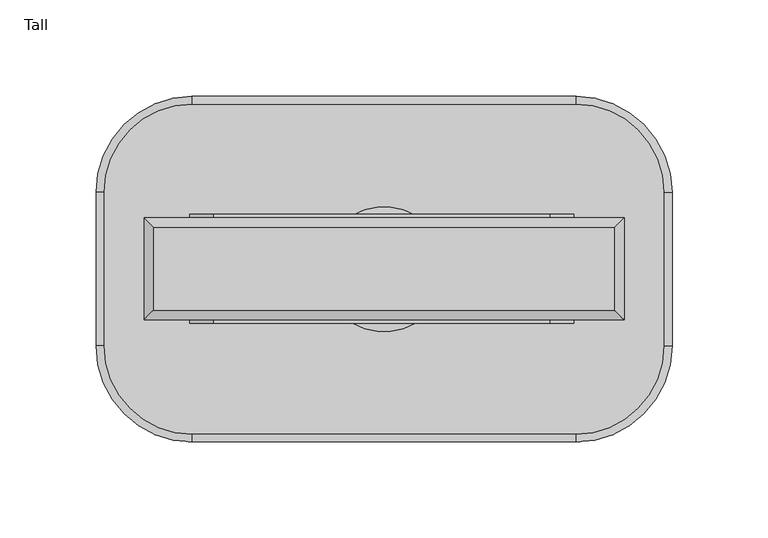
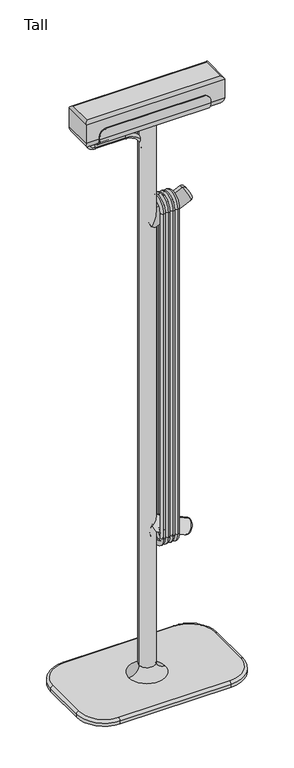
"""IFC4 building model written with IfcOpenShell, lengths in millimetres: furniture geometry, Tall."""

from ifc_helpers import new_model, si_unit, point, frame, origin, place, context, project, spatial, polyline, circle_curve, ellipse_curve, trimmed, source, transform, mapped, element, save
from ifc_brep_helpers import plane_surface, cylinder_surface, revolved_surface, advanced_brep


def tall_e2d5bbf9(model_context):
    return source(origin(), model_context, "Body", "AdvancedBrep", [
        advanced_brep(
        [(98.8922673, 26.5, 1076.9), (98.8922673, 11.5, 1061.9), (98.8922673, -11.5, 1061.9), (98.8922673, -26.5, 1076.9), (98.8922673, -26.5, 1081.5), (98.8922673, -28.4, 1081.5), (98.8922673, -28.4, 1076.9010878), (98.8922673, -11.4989122, 1060.0), (98.8922673, 11.5, 1060.0), (98.8922673, 28.4, 1076.9), (98.8922673, 28.4, 1081.5), (98.8922673, 26.5, 1081.5), (-101.1077081, 28.4, 1076.9), (-101.1077081, 11.5, 1060.0), (-101.1077081, -11.4989122, 1060.0), (-101.1077081, -28.4, 1076.9010878), (-101.1077081, -28.4, 1081.5), (-101.1077081, -26.5, 1081.5), (-101.1077081, -26.5, 1076.9), (-101.1077081, -11.5, 1061.9), (-101.1077081, 11.5, 1061.9), (-101.1077081, 26.5, 1076.9), (-101.1077081, 26.5, 1081.5), (-101.1077081, 28.4, 1081.5), (86.3922673, 26.5, 1094.0), (-88.6077081, 26.5, 1094.0), (-88.6077081, -26.5, 1094.0), (86.3922673, -26.5, 1094.0), (-88.6077081, -28.4, 1094.0), (86.3922673, -28.4, 1094.0), (-88.6077081, 28.4, 1094.0), (86.3922673, 28.4, 1094.0)],
        [
            (0, 1, circle_curve(frame((98.8922673, 11.5, 1076.9), z_axis=(-1.0, 0.0, 0.0), x_axis=(0.0, 1.0, 0.0)), 15.0)),
            (1, 2),
            (2, 3, circle_curve(frame((98.8922673, -11.5, 1076.9), z_axis=(-1.0, 0.0, 0.0), x_axis=(0.0, 1.0, 0.0)), 15.0)),
            (3, 4),
            (4, 5),
            (5, 6),
            (6, 7, circle_curve(frame((98.8922673, -11.4989122, 1076.9010878), z_axis=(1.0, 0.0, 0.0), x_axis=(0.0, 1.0, 0.0)), 16.9010878)),
            (7, 8),
            (8, 9, circle_curve(frame((98.8922673, 11.5, 1076.9), z_axis=(1.0, 0.0, 0.0), x_axis=(0.0, 1.0, 0.0)), 16.9)),
            (9, 10),
            (10, 11),
            (11, 0),
            (12, 13, circle_curve(frame((-101.1077081, 11.5, 1076.9), z_axis=(-1.0, 0.0, 0.0), x_axis=(0.0, 1.0, 0.0)), 16.9)),
            (13, 14),
            (14, 15, circle_curve(frame((-101.1077081, -11.4989122, 1076.9010878), z_axis=(-1.0, 0.0, 0.0), x_axis=(0.0, 1.0, 0.0)), 16.9010878)),
            (15, 16),
            (16, 17),
            (17, 18),
            (18, 19, circle_curve(frame((-101.1077081, -11.5, 1076.9), z_axis=(1.0, 0.0, 0.0), x_axis=(0.0, 1.0, 0.0)), 15.0)),
            (19, 20),
            (20, 21, circle_curve(frame((-101.1077081, 11.5, 1076.9), z_axis=(1.0, 0.0, 0.0), x_axis=(0.0, 1.0, 0.0)), 15.0)),
            (21, 22),
            (22, 23),
            (23, 12),
            (21, 0),
            (11, 24, circle_curve(frame((86.3922673, 26.5, 1081.5), z_axis=(0.0, -1.0, 0.0), x_axis=(1.0, 0.0, 0.0)), 12.5)),
            (24, 25),
            (25, 22, circle_curve(frame((-88.6077081, 26.5, 1081.5), z_axis=(0.0, -1.0, 0.0), x_axis=(1.0, 0.0, 0.0)), 12.5)),
            (20, 1),
            (19, 2),
            (18, 3),
            (17, 26, circle_curve(frame((-88.6077081, -26.5, 1081.5), z_axis=(0.0, 1.0, 0.0), x_axis=(1.0, 0.0, 0.0)), 12.5)),
            (26, 27),
            (27, 4, circle_curve(frame((86.3922673, -26.5, 1081.5), z_axis=(0.0, 1.0, 0.0), x_axis=(1.0, 0.0, 0.0)), 12.5)),
            (26, 28),
            (28, 29),
            (29, 27),
            (15, 6),
            (5, 29, circle_curve(frame((86.3922673, -28.4, 1081.5), z_axis=(0.0, -1.0, 0.0), x_axis=(1.0, 0.0, 0.0)), 12.5)),
            (28, 16, circle_curve(frame((-88.6077081, -28.4, 1081.5), z_axis=(0.0, -1.0, 0.0), x_axis=(1.0, 0.0, 0.0)), 12.5)),
            (14, 7),
            (13, 8),
            (12, 9),
            (23, 30, circle_curve(frame((-88.6077081, 28.4, 1081.5), z_axis=(0.0, 1.0, 0.0), x_axis=(1.0, 0.0, 0.0)), 12.5)),
            (30, 31),
            (31, 10, circle_curve(frame((86.3922673, 28.4, 1081.5), z_axis=(0.0, 1.0, 0.0), x_axis=(1.0, 0.0, 0.0)), 12.5)),
            (24, 31),
            (30, 25),
        ],
        [
            plane_surface(frame((98.8922673, 26.5, 1094.0), z_axis=(1.0, 0.0, 0.0), x_axis=(0.0, 0.0, -1.0))),
            plane_surface(frame((-101.1077081, 26.5, 1094.0), z_axis=(-1.0, 0.0, 0.0), x_axis=(0.0, 0.0, 1.0))),
            plane_surface(frame((98.8922673, 26.5, 1094.0), z_axis=(0.0, -1.0, 0.0), x_axis=(-1.0, 0.0, 0.0))),
            revolved_surface(polyline([(-101.1077081, 26.5, 1076.9), (98.89226729999999, 26.5, 1076.9)]), (-101.1077081, 11.5, 1076.9), (-1.0, 0.0, 0.0)),
            plane_surface(frame((98.8922673, 11.5, 1061.9), z_axis=(0.0, 0.0, 1.0), x_axis=(-1.0, 0.0, 0.0))),
            revolved_surface(polyline([(-101.1077081, 3.5, 1076.9), (98.89226729999999, 3.5, 1076.9)]), (-101.1077081, -11.5, 1076.9), (-1.0, 0.0, 0.0)),
            plane_surface(frame((98.8922673, -26.5, 1076.9), z_axis=(0.0, 1.0, 0.0), x_axis=(-1.0, 0.0, 0.0))),
            plane_surface(frame((98.8922673, -26.5, 1094.0), z_axis=(0.0, 0.0, 1.0), x_axis=(-1.0, 0.0, 0.0))),
            plane_surface(frame((98.8922673, -28.4, 1094.0), z_axis=(0.0, -1.0, 0.0), x_axis=(-1.0, 0.0, 0.0))),
            cylinder_surface(frame((-101.1077081, -11.4989122, 1076.9010878), z_axis=(1.0, 0.0, 0.0), x_axis=(0.0, 1.0, 0.0)), 16.9010878),
            plane_surface(frame((98.8922673, -11.4989122, 1060.0), z_axis=(0.0, 0.0, -1.0), x_axis=(-1.0, 0.0, 0.0))),
            cylinder_surface(frame((-101.1077081, 11.5, 1076.9), z_axis=(1.0, 0.0, 0.0), x_axis=(0.0, 1.0, 0.0)), 16.9),
            plane_surface(frame((98.8922673, 28.4, 1076.9), z_axis=(0.0, 1.0, 0.0), x_axis=(-1.0, 0.0, 0.0))),
            plane_surface(frame((98.8922673, 28.4, 1094.0), z_axis=(0.0, 0.0, 1.0), x_axis=(-1.0, 0.0, 0.0))),
            cylinder_surface(frame((-88.6077081, 90.0, 1081.5), z_axis=(0.0, 1.0, 0.0), x_axis=(1.0, 0.0, 0.0)), 12.5),
            cylinder_surface(frame((86.3922673, 90.0, 1081.5), z_axis=(0.0, 1.0, 0.0), x_axis=(1.0, 0.0, 0.0)), 12.5),
        ],
        [
            (0, [[1, 2, 3, 4, 5, 6, 7, 8, 9, 10, 11, 12]]),
            (1, [[13, 14, 15, 16, 17, 18, 19, 20, 21, 22, 23, 24]]),
            (2, [[25, -12, 26, 27, 28, -22]]),
            (3, [[-1, -25, -21, 29]]),
            (4, [[-2, -29, -20, 30]]),
            (5, [[-3, -30, -19, 31]]),
            (6, [[-31, -18, 32, 33, 34, -4]]),
            (7, [[-33, 35, 36, 37]]),
            (8, [[38, -6, 39, -36, 40, -16]]),
            (9, [[-7, -38, -15, 41]]),
            (10, [[-8, -41, -14, 42]]),
            (11, [[-9, -42, -13, 43]]),
            (12, [[-43, -24, 44, 45, 46, -10]]),
            (13, [[-27, 47, -45, 48]]),
            (14, [[-17, -40, -35, -32]]),
            (14, [[-23, -28, -48, -44]]),
            (15, [[-5, -34, -37, -39]]),
            (15, [[-11, -46, -47, -26]]),
        ],
    ),
        advanced_brep(
        [(-105.852797, 4.0, 1075.8013473), (-105.852797, -4.0, 1075.8013473), (-105.852797, 4.0, 1054.9704551), (-105.852797, -4.0, 1054.9704551), (-95.852797, -4.0, 1044.9704551), (-95.852797, 4.0, 1044.9704551), (-40.852797, 4.0, 1044.9704551), (-40.852797, -4.0, 1044.9704551), (-5.852797, -4.0, 1009.9704551), (-5.852797, 4.0, 1009.9704551), (-5.852797, 4.0, 1006.8590643), (-5.852797, -4.0, 1006.8590643)],
        [
            (0, 1, circle_curve(frame((-105.852797, 0.0, 1075.8013473), z_axis=(0.0, 0.0, 1.0), x_axis=(0.0, -1.0, 0.0)), 4.0)),
            (1, 0, circle_curve(frame((-105.852797, 0.0, 1075.8013473), z_axis=(0.0, 0.0, 1.0), x_axis=(0.0, -1.0, 0.0)), 4.0)),
            (0, 2),
            (2, 3, circle_curve(frame((-105.852797, 0.0, 1054.9704551), z_axis=(0.0, 0.0, 1.0), x_axis=(0.0, -1.0, 0.0)), 4.0)),
            (3, 1),
            (3, 2, circle_curve(frame((-105.852797, 0.0, 1054.9704551), z_axis=(0.0, 0.0, 1.0), x_axis=(0.0, -1.0, 0.0)), 4.0)),
            (4, 3, circle_curve(frame((-95.852797, -4.0, 1054.9704551), z_axis=(0.0, 1.0, 0.0), x_axis=(-1.0, 0.0, 0.0)), 10.0)),
            (2, 5, circle_curve(frame((-95.852797, 4.0, 1054.9704551), z_axis=(0.0, -1.0, 0.0), x_axis=(-1.0, 0.0, 0.0)), 10.0)),
            (5, 4, circle_curve(frame((-95.852797, 0.0, 1044.9704551), z_axis=(-1.0, 0.0, 0.0), x_axis=(0.0, -1.0, 0.0)), 4.0)),
            (4, 5, circle_curve(frame((-95.852797, 0.0, 1044.9704551), z_axis=(-1.0, 0.0, 0.0), x_axis=(0.0, -1.0, 0.0)), 4.0)),
            (5, 6),
            (6, 7, circle_curve(frame((-40.852797, 0.0, 1044.9704551), z_axis=(-1.0, 0.0, 0.0), x_axis=(0.0, -1.0, 0.0)), 4.0)),
            (7, 4),
            (7, 6, circle_curve(frame((-40.852797, 0.0, 1044.9704551), z_axis=(-1.0, 0.0, 0.0), x_axis=(0.0, -1.0, 0.0)), 4.0)),
            (8, 7, circle_curve(frame((-40.852797, -4.0, 1009.9704551), z_axis=(0.0, -1.0, 0.0), x_axis=(0.0, 0.0, 1.0)), 35.0)),
            (6, 9, circle_curve(frame((-40.852797, 4.0, 1009.9704551), z_axis=(0.0, 1.0, 0.0), x_axis=(0.0, 0.0, 1.0)), 35.0)),
            (9, 8, circle_curve(frame((-5.852797, 0.0, 1009.9704551), z_axis=(0.0, 0.0, 1.0), x_axis=(0.0, -1.0, 0.0)), 4.0)),
            (8, 9, circle_curve(frame((-5.852797, 0.0, 1009.9704551), z_axis=(0.0, 0.0, 1.0), x_axis=(0.0, -1.0, 0.0)), 4.0)),
            (10, 11, circle_curve(frame((-5.852797, 0.0, 1006.8590643), z_axis=(0.0, 0.0, -1.0), x_axis=(0.0, -1.0, 0.0)), 4.0)),
            (11, 10, circle_curve(frame((-5.852797, 0.0, 1006.8590643), z_axis=(0.0, 0.0, -1.0), x_axis=(0.0, -1.0, 0.0)), 4.0)),
            (9, 10),
            (11, 8),
        ],
        [
            plane_surface(frame((-105.852797, 0.0, 1075.8013473), z_axis=(0.0, 0.0, 1.0), x_axis=(0.0, -1.0, 0.0))),
            cylinder_surface(frame((-105.852797, 0.0, 1075.8013473), z_axis=(0.0, 0.0, 1.0), x_axis=(0.0, -1.0, 0.0)), 4.0),
            revolved_surface(trimmed(ellipse_curve(frame((-105.852797, 0.0, 1054.9704551), z_axis=(0.0, 0.0, 1.0), x_axis=(0.0, -1.0, 0.0)), 4.0, 4.0), [point((-105.852797, 4.0, 1054.9704551))], [point((-105.852797, -4.0, 1054.9704551))], True, "CARTESIAN"), (-95.852797, 0.0, 1054.9704551), (0.0, -1.0, 0.0)),
            revolved_surface(trimmed(ellipse_curve(frame((-105.852797, 0.0, 1054.9704551), z_axis=(0.0, 0.0, 1.0), x_axis=(0.0, -1.0, 0.0)), 4.0, 4.0), [point((-105.852797, -4.0, 1054.9704551))], [point((-105.852797, 4.0, 1054.9704551))], True, "CARTESIAN"), (-95.852797, 0.0, 1054.9704551), (0.0, -1.0, 0.0)),
            cylinder_surface(frame((-95.852797, 0.0, 1044.9704551), z_axis=(-1.0, 0.0, 0.0), x_axis=(0.0, -1.0, 0.0)), 4.0),
            revolved_surface(trimmed(ellipse_curve(frame((-40.852797, 0.0, 1044.9704551), z_axis=(-1.0, 0.0, 0.0), x_axis=(0.0, -1.0, 0.0)), 4.0, 4.0), [point((-40.852797, 4.0, 1044.9704551))], [point((-40.852797, -4.0, 1044.9704551))], True, "CARTESIAN"), (-40.852797, 0.0, 1009.9704551), (0.0, 1.0, 0.0)),
            revolved_surface(trimmed(ellipse_curve(frame((-40.852797, 0.0, 1044.9704551), z_axis=(-1.0, 0.0, 0.0), x_axis=(0.0, -1.0, 0.0)), 4.0, 4.0), [point((-40.852797, -4.0, 1044.9704551))], [point((-40.852797, 4.0, 1044.9704551))], True, "CARTESIAN"), (-40.852797, 0.0, 1009.9704551), (0.0, 1.0, 0.0)),
            plane_surface(frame((-5.852797, 0.0, 1006.8590643), z_axis=(0.0, 0.0, -1.0), x_axis=(0.0, -1.0, 0.0))),
            cylinder_surface(frame((-5.852797, 0.0, 1009.9704551), z_axis=(0.0, 0.0, 1.0), x_axis=(0.0, -1.0, 0.0)), 4.0),
        ],
        [
            (0, [[1, 2]]),
            (1, [[-1, 3, 4, 5]]),
            (1, [[-2, -5, 6, -3]]),
            (2, [[7, -4, 8, 9]]),
            (3, [[-8, -6, -7, 10]]),
            (4, [[-9, 11, 12, 13]]),
            (4, [[-10, -13, 14, -11]]),
            (5, [[15, -12, 16, 17]]),
            (6, [[-16, -14, -15, 18]]),
            (7, [[19, 20]]),
            (8, [[-17, 21, -20, 22]]),
            (8, [[-18, -22, -19, -21]]),
        ],
    ),
        advanced_brep(
        [(125.0, -26.5, 1112.0), (125.0, -26.5, 1076.9), (125.0, 26.5, 1076.9), (125.0, 26.5, 1112.0), (-125.0, 26.5, 1112.0), (-125.0, 26.5, 1076.9), (-125.0, -26.5, 1076.9), (-125.0, -26.5, 1112.0), (110.0, 11.5, 1061.9), (110.0, -11.5, 1061.9), (-110.0, -11.5, 1061.9), (-110.0, 11.5, 1061.9), (120.0, -21.5, 1117.0), (120.0, 21.5, 1117.0), (-120.0, 21.5, 1117.0), (-120.0, -21.5, 1117.0)],
        [
            (0, 1),
            (1, 2),
            (2, 3),
            (3, 0),
            (4, 5),
            (5, 6),
            (6, 7),
            (7, 4),
            (0, 7),
            (6, 1),
            (8, 9),
            (9, 10),
            (10, 11),
            (11, 8),
            (2, 5),
            (4, 3),
            (12, 13),
            (13, 14),
            (14, 15),
            (15, 12),
            (12, 0, ellipse_curve(frame((120.0, -21.5, 1112.0), z_axis=(0.7071067811865475, 0.7071067811865475, 0.0), x_axis=(0.7071067811865474, -0.7071067811865476, 0.0)), 7.0710678, 5.0)),
            (3, 13, ellipse_curve(frame((120.0, 21.5, 1112.0), z_axis=(0.7071067811865475, -0.7071067811865475, 0.0), x_axis=(-0.7071067811865474, -0.7071067811865476, 0.0)), 7.0710678, 5.0)),
            (1, 9, ellipse_curve(frame((110.0, -11.5, 1076.9), z_axis=(0.7071067811865475, 0.7071067811865475, 0.0), x_axis=(0.7071067811865474, -0.7071067811865476, 0.0)), 21.2132034, 15.0)),
            (8, 2, ellipse_curve(frame((110.0, 11.5, 1076.9), z_axis=(0.7071067811865475, -0.7071067811865475, 0.0), x_axis=(-0.7071067811865474, -0.7071067811865476, 0.0)), 21.2132034, 15.0)),
            (15, 7, ellipse_curve(frame((-120.0, -21.5, 1112.0), z_axis=(0.7071067811865475, -0.7071067811865475, 0.0), x_axis=(-0.7071067811865476, -0.7071067811865474, 0.0)), 7.0710678, 5.0)),
            (6, 10, ellipse_curve(frame((-110.0, -11.5, 1076.9), z_axis=(0.7071067811865475, -0.7071067811865475, 0.0), x_axis=(-0.7071067811865476, -0.7071067811865474, 0.0)), 21.2132034, 15.0)),
            (14, 4, ellipse_curve(frame((-120.0, 21.5, 1112.0), z_axis=(-0.7071067811865475, -0.7071067811865475, 0.0), x_axis=(-0.7071067811865474, 0.7071067811865476, 0.0)), 7.0710678, 5.0)),
            (5, 11, ellipse_curve(frame((-110.0, 11.5, 1076.9), z_axis=(-0.7071067811865475, -0.7071067811865475, 0.0), x_axis=(-0.7071067811865474, 0.7071067811865476, 0.0)), 21.2132034, 15.0)),
        ],
        [
            plane_surface(frame((125.0, -26.5, 1117.0), z_axis=(1.0, 0.0, 0.0), x_axis=(0.0, 0.0, -1.0))),
            plane_surface(frame((-125.0, -26.5, 1117.0), z_axis=(-1.0, 0.0, 0.0), x_axis=(0.0, 0.0, 1.0))),
            plane_surface(frame((125.0, -26.5, 1117.0), z_axis=(0.0, -1.0, 0.0), x_axis=(-1.0, 0.0, 0.0))),
            plane_surface(frame((125.0, -26.5, 1061.9), z_axis=(0.0, 0.0, -1.0), x_axis=(-1.0, 0.0, 0.0))),
            plane_surface(frame((125.0, 26.5, 1061.9), z_axis=(0.0, 1.0, 0.0), x_axis=(-1.0, 0.0, 0.0))),
            plane_surface(frame((125.0, 26.5, 1117.0), z_axis=(0.0, 0.0, 1.0), x_axis=(-1.0, 0.0, 0.0))),
            cylinder_surface(frame((120.0, 26.5, 1112.0), z_axis=(0.0, -1.0, 0.0), x_axis=(1.0, 0.0, 0.0)), 5.0),
            cylinder_surface(frame((110.0, 26.5, 1076.9), z_axis=(0.0, -1.0, 0.0), x_axis=(1.0, 0.0, 0.0)), 15.0),
            cylinder_surface(frame((125.0, -21.5, 1112.0), z_axis=(-1.0, 0.0, 0.0), x_axis=(0.0, -1.0, 0.0)), 5.0),
            cylinder_surface(frame((125.0, -11.5, 1076.9), z_axis=(-1.0, 0.0, 0.0), x_axis=(0.0, -1.0, 0.0)), 15.0),
            cylinder_surface(frame((-120.0, -26.5, 1112.0), z_axis=(0.0, 1.0, 0.0), x_axis=(-1.0, 0.0, 0.0)), 5.0),
            cylinder_surface(frame((-110.0, -26.5, 1076.9), z_axis=(0.0, 1.0, 0.0), x_axis=(-1.0, 0.0, 0.0)), 15.0),
            cylinder_surface(frame((-125.0, 21.5, 1112.0), z_axis=(1.0, 0.0, 0.0), x_axis=(0.0, 1.0, 0.0)), 5.0),
            cylinder_surface(frame((-125.0, 11.5, 1076.9), z_axis=(1.0, 0.0, 0.0), x_axis=(0.0, 1.0, 0.0)), 15.0),
        ],
        [
            (0, [[1, 2, 3, 4]]),
            (1, [[5, 6, 7, 8]]),
            (2, [[-1, 9, -7, 10]]),
            (3, [[11, 12, 13, 14]]),
            (4, [[-3, 15, -5, 16]]),
            (5, [[17, 18, 19, 20]]),
            (6, [[21, -4, 22, -17]]),
            (7, [[23, -11, 24, -2]]),
            (8, [[-21, -20, 25, -9]]),
            (9, [[-23, -10, 26, -12]]),
            (10, [[-25, -19, 27, -8]]),
            (11, [[-26, -6, 28, -13]]),
            (12, [[-22, -16, -27, -18]]),
            (13, [[-24, -14, -28, -15]]),
        ],
    ),
        advanced_brep(
        [(18.0, 22.0, 890.0), (18.0, -22.0, 890.0), (18.0, -14.0, 890.0), (18.0, 14.0, 890.0), (18.0, 14.0, 270.0), (18.0, 22.0, 270.0), (18.0, -22.0, 270.0), (18.0, -14.0, 270.0)],
        [
            (0, 1, circle_curve(frame((18.0, 0.0, 890.0), z_axis=(1.0, 0.0, 0.0), x_axis=(0.0, -1.0, 0.0)), 22.0)),
            (1, 2, circle_curve(frame((18.0, -18.0, 890.0), z_axis=(0.0, 0.0, 1.0), x_axis=(0.0, -1.0, 0.0)), 4.0)),
            (2, 3, circle_curve(frame((18.0, 0.0, 890.0), z_axis=(-1.0, 0.0, 0.0), x_axis=(0.0, -1.0, 0.0)), 14.0)),
            (3, 0, circle_curve(frame((18.0, 18.0, 890.0), z_axis=(0.0, 0.0, 1.0), x_axis=(0.0, 1.0, 0.0)), 4.0)),
            (2, 1, circle_curve(frame((18.0, -18.0, 890.0), z_axis=(0.0, 0.0, 1.0), x_axis=(0.0, -1.0, 0.0)), 4.0)),
            (0, 3, circle_curve(frame((18.0, 18.0, 890.0), z_axis=(0.0, 0.0, 1.0), x_axis=(0.0, 1.0, 0.0)), 4.0)),
            (3, 4),
            (4, 5, circle_curve(frame((18.0, 18.0, 270.0), z_axis=(0.0, 0.0, 1.0), x_axis=(0.0, 1.0, 0.0)), 4.0)),
            (5, 0),
            (5, 4, circle_curve(frame((18.0, 18.0, 270.0), z_axis=(0.0, 0.0, 1.0), x_axis=(0.0, 1.0, 0.0)), 4.0)),
            (6, 5, circle_curve(frame((18.0, 0.0, 270.0), z_axis=(1.0, 0.0, 0.0), x_axis=(0.0, 1.0, 0.0)), 22.0)),
            (4, 7, circle_curve(frame((18.0, 0.0, 270.0), z_axis=(-1.0, 0.0, 0.0), x_axis=(0.0, 1.0, 0.0)), 14.0)),
            (7, 6, circle_curve(frame((18.0, -18.0, 270.0), z_axis=(0.0, 0.0, -1.0), x_axis=(0.0, -1.0, 0.0)), 4.0)),
            (6, 7, circle_curve(frame((18.0, -18.0, 270.0), z_axis=(0.0, 0.0, -1.0), x_axis=(0.0, -1.0, 0.0)), 4.0)),
            (7, 2),
            (1, 6),
        ],
        [
            revolved_surface(trimmed(ellipse_curve(frame((18.0, -18.0, 890.0), z_axis=(0.0, 0.0, -1.0), x_axis=(0.0, -1.0, 0.0)), 4.0, 4.0), [point((18.0, -14.0, 890.0))], [point((18.0, -22.0, 890.0))], True, "CARTESIAN"), (18.0, 0.0, 890.0), (-1.0, 0.0, 0.0)),
            revolved_surface(trimmed(ellipse_curve(frame((18.0, -18.0, 890.0), z_axis=(0.0, 0.0, -1.0), x_axis=(0.0, -1.0, 0.0)), 4.0, 4.0), [point((18.0, -22.0, 890.0))], [point((18.0, -14.0, 890.0))], True, "CARTESIAN"), (18.0, 0.0, 890.0), (-1.0, 0.0, 0.0)),
            cylinder_surface(frame((18.0, 18.0, 890.0), z_axis=(0.0, 0.0, 1.0), x_axis=(0.0, 1.0, 0.0)), 4.0),
            revolved_surface(trimmed(ellipse_curve(frame((18.0, 18.0, 270.0), z_axis=(0.0, 0.0, 1.0), x_axis=(0.0, 1.0, 0.0)), 4.0, 4.0), [point((18.0, 14.0, 270.0))], [point((18.0, 22.0, 270.0))], True, "CARTESIAN"), (18.0, 0.0, 270.0), (-1.0, 0.0, 0.0)),
            revolved_surface(trimmed(ellipse_curve(frame((18.0, 18.0, 270.0), z_axis=(0.0, 0.0, 1.0), x_axis=(0.0, 1.0, 0.0)), 4.0, 4.0), [point((18.0, 22.0, 270.0))], [point((18.0, 14.0, 270.0))], True, "CARTESIAN"), (18.0, 0.0, 270.0), (-1.0, 0.0, 0.0)),
            cylinder_surface(frame((18.0, -18.0, 270.0), z_axis=(0.0, 0.0, -1.0), x_axis=(0.0, -1.0, 0.0)), 4.0),
        ],
        [
            (0, [[1, 2, 3, 4]]),
            (1, [[-3, 5, -1, 6]]),
            (2, [[-4, 7, 8, 9]]),
            (2, [[-6, -9, 10, -7]]),
            (3, [[11, -8, 12, 13]]),
            (4, [[-12, -10, -11, 14]]),
            (5, [[-13, 15, -2, 16]]),
            (5, [[-14, -16, -5, -15]]),
        ],
    ),
        advanced_brep(
        [(26.5, 22.0, 890.0), (26.5, -22.0, 890.0), (26.5, -14.0, 890.0), (26.5, 14.0, 890.0), (26.5, 14.0, 270.0), (26.5, 22.0, 270.0), (26.5, -22.0, 270.0), (26.5, -14.0, 270.0)],
        [
            (0, 1, circle_curve(frame((26.5, 0.0, 890.0), z_axis=(1.0, 0.0, 0.0), x_axis=(0.0, -1.0, 0.0)), 22.0)),
            (1, 2, circle_curve(frame((26.5, -18.0, 890.0), z_axis=(0.0, 0.0, 1.0), x_axis=(0.0, -1.0, 0.0)), 4.0)),
            (2, 3, circle_curve(frame((26.5, 0.0, 890.0), z_axis=(-1.0, 0.0, 0.0), x_axis=(0.0, -1.0, 0.0)), 14.0)),
            (3, 0, circle_curve(frame((26.5, 18.0, 890.0), z_axis=(0.0, 0.0, 1.0), x_axis=(0.0, 1.0, 0.0)), 4.0)),
            (2, 1, circle_curve(frame((26.5, -18.0, 890.0), z_axis=(0.0, 0.0, 1.0), x_axis=(0.0, -1.0, 0.0)), 4.0)),
            (0, 3, circle_curve(frame((26.5, 18.0, 890.0), z_axis=(0.0, 0.0, 1.0), x_axis=(0.0, 1.0, 0.0)), 4.0)),
            (3, 4),
            (4, 5, circle_curve(frame((26.5, 18.0, 270.0), z_axis=(0.0, 0.0, 1.0), x_axis=(0.0, 1.0, 0.0)), 4.0)),
            (5, 0),
            (5, 4, circle_curve(frame((26.5, 18.0, 270.0), z_axis=(0.0, 0.0, 1.0), x_axis=(0.0, 1.0, 0.0)), 4.0)),
            (6, 5, circle_curve(frame((26.5, 0.0, 270.0), z_axis=(1.0, 0.0, 0.0), x_axis=(0.0, 1.0, 0.0)), 22.0)),
            (4, 7, circle_curve(frame((26.5, 0.0, 270.0), z_axis=(-1.0, 0.0, 0.0), x_axis=(0.0, 1.0, 0.0)), 14.0)),
            (7, 6, circle_curve(frame((26.5, -18.0, 270.0), z_axis=(0.0, 0.0, -1.0), x_axis=(0.0, -1.0, 0.0)), 4.0)),
            (6, 7, circle_curve(frame((26.5, -18.0, 270.0), z_axis=(0.0, 0.0, -1.0), x_axis=(0.0, -1.0, 0.0)), 4.0)),
            (7, 2),
            (1, 6),
        ],
        [
            revolved_surface(trimmed(ellipse_curve(frame((26.5, -18.0, 890.0), z_axis=(0.0, 0.0, -1.0), x_axis=(0.0, -1.0, 0.0)), 4.0, 4.0), [point((26.5, -14.0, 890.0))], [point((26.5, -22.0, 890.0))], True, "CARTESIAN"), (18.0, 0.0, 890.0), (-1.0, 0.0, 0.0)),
            revolved_surface(trimmed(ellipse_curve(frame((26.5, -18.0, 890.0), z_axis=(0.0, 0.0, -1.0), x_axis=(0.0, -1.0, 0.0)), 4.0, 4.0), [point((26.5, -22.0, 890.0))], [point((26.5, -14.0, 890.0))], True, "CARTESIAN"), (18.0, 0.0, 890.0), (-1.0, 0.0, 0.0)),
            cylinder_surface(frame((26.5, 18.0, 890.0), z_axis=(0.0, 0.0, 1.0), x_axis=(0.0, 1.0, 0.0)), 4.0),
            revolved_surface(trimmed(ellipse_curve(frame((26.5, 18.0, 270.0), z_axis=(0.0, 0.0, 1.0), x_axis=(0.0, 1.0, 0.0)), 4.0, 4.0), [point((26.5, 14.0, 270.0))], [point((26.5, 22.0, 270.0))], True, "CARTESIAN"), (18.0, 0.0, 270.0), (-1.0, 0.0, 0.0)),
            revolved_surface(trimmed(ellipse_curve(frame((26.5, 18.0, 270.0), z_axis=(0.0, 0.0, 1.0), x_axis=(0.0, 1.0, 0.0)), 4.0, 4.0), [point((26.5, 22.0, 270.0))], [point((26.5, 14.0, 270.0))], True, "CARTESIAN"), (18.0, 0.0, 270.0), (-1.0, 0.0, 0.0)),
            cylinder_surface(frame((26.5, -18.0, 270.0), z_axis=(0.0, 0.0, -1.0), x_axis=(0.0, -1.0, 0.0)), 4.0),
        ],
        [
            (0, [[1, 2, 3, 4]]),
            (1, [[-3, 5, -1, 6]]),
            (2, [[-4, 7, 8, 9]]),
            (2, [[-6, -9, 10, -7]]),
            (3, [[11, -8, 12, 13]]),
            (4, [[-12, -10, -11, 14]]),
            (5, [[-13, 15, -2, 16]]),
            (5, [[-14, -16, -5, -15]]),
        ],
    ),
        advanced_brep(
        [(35.0, 22.0, 890.0), (35.0, -22.0, 890.0), (35.0, -14.0, 890.0), (35.0, 14.0, 890.0), (35.0, 14.0, 270.0), (35.0, 22.0, 270.0), (35.0, -22.0, 270.0), (35.0, -14.0, 270.0)],
        [
            (0, 1, circle_curve(frame((35.0, 0.0, 890.0), z_axis=(1.0, 0.0, 0.0), x_axis=(0.0, -1.0, 0.0)), 22.0)),
            (1, 2, circle_curve(frame((35.0, -18.0, 890.0), z_axis=(0.0, 0.0, 1.0), x_axis=(0.0, -1.0, 0.0)), 4.0)),
            (2, 3, circle_curve(frame((35.0, 0.0, 890.0), z_axis=(-1.0, 0.0, 0.0), x_axis=(0.0, -1.0, 0.0)), 14.0)),
            (3, 0, circle_curve(frame((35.0, 18.0, 890.0), z_axis=(0.0, 0.0, 1.0), x_axis=(0.0, 1.0, 0.0)), 4.0)),
            (2, 1, circle_curve(frame((35.0, -18.0, 890.0), z_axis=(0.0, 0.0, 1.0), x_axis=(0.0, -1.0, 0.0)), 4.0)),
            (0, 3, circle_curve(frame((35.0, 18.0, 890.0), z_axis=(0.0, 0.0, 1.0), x_axis=(0.0, 1.0, 0.0)), 4.0)),
            (3, 4),
            (4, 5, circle_curve(frame((35.0, 18.0, 270.0), z_axis=(0.0, 0.0, 1.0), x_axis=(0.0, 1.0, 0.0)), 4.0)),
            (5, 0),
            (5, 4, circle_curve(frame((35.0, 18.0, 270.0), z_axis=(0.0, 0.0, 1.0), x_axis=(0.0, 1.0, 0.0)), 4.0)),
            (6, 5, circle_curve(frame((35.0, 0.0, 270.0), z_axis=(1.0, 0.0, 0.0), x_axis=(0.0, 1.0, 0.0)), 22.0)),
            (4, 7, circle_curve(frame((35.0, 0.0, 270.0), z_axis=(-1.0, 0.0, 0.0), x_axis=(0.0, 1.0, 0.0)), 14.0)),
            (7, 6, circle_curve(frame((35.0, -18.0, 270.0), z_axis=(0.0, 0.0, -1.0), x_axis=(0.0, -1.0, 0.0)), 4.0)),
            (6, 7, circle_curve(frame((35.0, -18.0, 270.0), z_axis=(0.0, 0.0, -1.0), x_axis=(0.0, -1.0, 0.0)), 4.0)),
            (7, 2),
            (1, 6),
        ],
        [
            revolved_surface(trimmed(ellipse_curve(frame((35.0, -18.0, 890.0), z_axis=(0.0, 0.0, -1.0), x_axis=(0.0, -1.0, 0.0)), 4.0, 4.0), [point((35.0, -14.0, 890.0))], [point((35.0, -22.0, 890.0))], True, "CARTESIAN"), (18.0, 0.0, 890.0), (-1.0, 0.0, 0.0)),
            revolved_surface(trimmed(ellipse_curve(frame((35.0, -18.0, 890.0), z_axis=(0.0, 0.0, -1.0), x_axis=(0.0, -1.0, 0.0)), 4.0, 4.0), [point((35.0, -22.0, 890.0))], [point((35.0, -14.0, 890.0))], True, "CARTESIAN"), (18.0, 0.0, 890.0), (-1.0, 0.0, 0.0)),
            cylinder_surface(frame((35.0, 18.0, 890.0), z_axis=(0.0, 0.0, 1.0), x_axis=(0.0, 1.0, 0.0)), 4.0),
            revolved_surface(trimmed(ellipse_curve(frame((35.0, 18.0, 270.0), z_axis=(0.0, 0.0, 1.0), x_axis=(0.0, 1.0, 0.0)), 4.0, 4.0), [point((35.0, 14.0, 270.0))], [point((35.0, 22.0, 270.0))], True, "CARTESIAN"), (18.0, 0.0, 270.0), (-1.0, 0.0, 0.0)),
            revolved_surface(trimmed(ellipse_curve(frame((35.0, 18.0, 270.0), z_axis=(0.0, 0.0, 1.0), x_axis=(0.0, 1.0, 0.0)), 4.0, 4.0), [point((35.0, 22.0, 270.0))], [point((35.0, 14.0, 270.0))], True, "CARTESIAN"), (18.0, 0.0, 270.0), (-1.0, 0.0, 0.0)),
            cylinder_surface(frame((35.0, -18.0, 270.0), z_axis=(0.0, 0.0, -1.0), x_axis=(0.0, -1.0, 0.0)), 4.0),
        ],
        [
            (0, [[1, 2, 3, 4]]),
            (1, [[-3, 5, -1, 6]]),
            (2, [[-4, 7, 8, 9]]),
            (2, [[-6, -9, 10, -7]]),
            (3, [[11, -8, 12, 13]]),
            (4, [[-12, -10, -11, 14]]),
            (5, [[-13, 15, -2, 16]]),
            (5, [[-14, -16, -5, -15]]),
        ],
    ),
        advanced_brep(
        [(43.5, 22.0, 890.0), (43.5, -22.0, 890.0), (43.5, -14.0, 890.0), (43.5, 14.0, 890.0), (43.5, 14.0, 270.0), (43.5, 22.0, 270.0), (43.5, -22.0, 270.0), (43.5, -14.0, 270.0)],
        [
            (0, 1, circle_curve(frame((43.5, 0.0, 890.0), z_axis=(1.0, 0.0, 0.0), x_axis=(0.0, -1.0, 0.0)), 22.0)),
            (1, 2, circle_curve(frame((43.5, -18.0, 890.0), z_axis=(0.0, 0.0, 1.0), x_axis=(0.0, -1.0, 0.0)), 4.0)),
            (2, 3, circle_curve(frame((43.5, 0.0, 890.0), z_axis=(-1.0, 0.0, 0.0), x_axis=(0.0, -1.0, 0.0)), 14.0)),
            (3, 0, circle_curve(frame((43.5, 18.0, 890.0), z_axis=(0.0, 0.0, 1.0), x_axis=(0.0, 1.0, 0.0)), 4.0)),
            (2, 1, circle_curve(frame((43.5, -18.0, 890.0), z_axis=(0.0, 0.0, 1.0), x_axis=(0.0, -1.0, 0.0)), 4.0)),
            (0, 3, circle_curve(frame((43.5, 18.0, 890.0), z_axis=(0.0, 0.0, 1.0), x_axis=(0.0, 1.0, 0.0)), 4.0)),
            (3, 4),
            (4, 5, circle_curve(frame((43.5, 18.0, 270.0), z_axis=(0.0, 0.0, 1.0), x_axis=(0.0, 1.0, 0.0)), 4.0)),
            (5, 0),
            (5, 4, circle_curve(frame((43.5, 18.0, 270.0), z_axis=(0.0, 0.0, 1.0), x_axis=(0.0, 1.0, 0.0)), 4.0)),
            (6, 5, circle_curve(frame((43.5, 0.0, 270.0), z_axis=(1.0, 0.0, 0.0), x_axis=(0.0, 1.0, 0.0)), 22.0)),
            (4, 7, circle_curve(frame((43.5, 0.0, 270.0), z_axis=(-1.0, 0.0, 0.0), x_axis=(0.0, 1.0, 0.0)), 14.0)),
            (7, 6, circle_curve(frame((43.5, -18.0, 270.0), z_axis=(0.0, 0.0, -1.0), x_axis=(0.0, -1.0, 0.0)), 4.0)),
            (6, 7, circle_curve(frame((43.5, -18.0, 270.0), z_axis=(0.0, 0.0, -1.0), x_axis=(0.0, -1.0, 0.0)), 4.0)),
            (7, 2),
            (1, 6),
        ],
        [
            revolved_surface(trimmed(ellipse_curve(frame((43.5, -18.0, 890.0), z_axis=(0.0, 0.0, -1.0), x_axis=(0.0, -1.0, 0.0)), 4.0, 4.0), [point((43.5, -14.0, 890.0))], [point((43.5, -22.0, 890.0))], True, "CARTESIAN"), (18.0, 0.0, 890.0), (-1.0, 0.0, 0.0)),
            revolved_surface(trimmed(ellipse_curve(frame((43.5, -18.0, 890.0), z_axis=(0.0, 0.0, -1.0), x_axis=(0.0, -1.0, 0.0)), 4.0, 4.0), [point((43.5, -22.0, 890.0))], [point((43.5, -14.0, 890.0))], True, "CARTESIAN"), (18.0, 0.0, 890.0), (-1.0, 0.0, 0.0)),
            cylinder_surface(frame((43.5, 18.0, 890.0), z_axis=(0.0, 0.0, 1.0), x_axis=(0.0, 1.0, 0.0)), 4.0),
            revolved_surface(trimmed(ellipse_curve(frame((43.5, 18.0, 270.0), z_axis=(0.0, 0.0, 1.0), x_axis=(0.0, 1.0, 0.0)), 4.0, 4.0), [point((43.5, 14.0, 270.0))], [point((43.5, 22.0, 270.0))], True, "CARTESIAN"), (18.0, 0.0, 270.0), (-1.0, 0.0, 0.0)),
            revolved_surface(trimmed(ellipse_curve(frame((43.5, 18.0, 270.0), z_axis=(0.0, 0.0, 1.0), x_axis=(0.0, 1.0, 0.0)), 4.0, 4.0), [point((43.5, 22.0, 270.0))], [point((43.5, 14.0, 270.0))], True, "CARTESIAN"), (18.0, 0.0, 270.0), (-1.0, 0.0, 0.0)),
            cylinder_surface(frame((43.5, -18.0, 270.0), z_axis=(0.0, 0.0, -1.0), x_axis=(0.0, -1.0, 0.0)), 4.0),
        ],
        [
            (0, [[1, 2, 3, 4]]),
            (1, [[-3, 5, -1, 6]]),
            (2, [[-4, 7, 8, 9]]),
            (2, [[-6, -9, 10, -7]]),
            (3, [[11, -8, 12, 13]]),
            (4, [[-12, -10, -11, 14]]),
            (5, [[-13, 15, -2, 16]]),
            (5, [[-14, -16, -5, -15]]),
        ],
    ),
        advanced_brep(
        [(73.9100062, 0.0, 261.529813), (70.1064418, 0.0, 253.3730429), (77.7135705, 0.0, 269.6865831), (5.9166557, 0.0, 308.6829239), (-5.9166557, 0.0, 283.3063059), (0.0, 0.0, 295.9946149), (75.2951229, 0.0, 276.3312133), (63.4618116, 0.0, 250.9545953)],
        [
            (0, 1),
            (1, 2, circle_curve(frame((73.9100062, 0.0, 261.529813), z_axis=(0.9063077870366482, 0.0, -0.4226182617407033), x_axis=(-0.4226182617407033, 0.0, -0.9063077870366482)), 9.0)),
            (2, 0),
            (2, 1, circle_curve(frame((73.9100062, 0.0, 261.529813), z_axis=(0.9063077870366482, 0.0, -0.4226182617407033), x_axis=(-0.4226182617407033, 0.0, -0.9063077870366482)), 9.0)),
            (3, 4, circle_curve(frame((0.0, 0.0, 295.9946149), z_axis=(-0.9063077870366482, 0.0, 0.4226182617407033), x_axis=(-0.4226182617407033, 0.0, -0.9063077870366482)), 14.0)),
            (4, 5),
            (5, 3),
            (4, 3, circle_curve(frame((0.0, 0.0, 295.9946149), z_axis=(-0.9063077870366482, 0.0, 0.4226182617407033), x_axis=(-0.4226182617407033, 0.0, -0.9063077870366482)), 14.0)),
            (6, 7, circle_curve(frame((69.3784672, 0.0, 263.6429043), z_axis=(-0.9063077870366482, 0.0, 0.4226182617407033), x_axis=(-0.4226182617407033, 0.0, -0.9063077870366482)), 14.0)),
            (7, 4),
            (3, 6),
            (7, 6, circle_curve(frame((69.3784672, 0.0, 263.6429043), z_axis=(-0.9063077870366482, 0.0, 0.4226182617407033), x_axis=(-0.4226182617407033, 0.0, -0.9063077870366482)), 14.0)),
            (1, 7, circle_curve(frame((65.5749029, 0.0, 255.4861342), z_axis=(0.0, 1.0, 0.0), x_axis=(1.0, 0.0, 0.0)), 5.0)),
            (6, 2, circle_curve(frame((73.1820316, 0.0, 271.7996744), z_axis=(0.0, 1.0, 0.0), x_axis=(0.6427876096865328, 0.0, -0.7660444431189836)), 5.0)),
        ],
        [
            plane_surface(frame((73.9100062, 0.0, 261.529813), z_axis=(0.9063077870366482, 0.0, -0.4226182617407033), x_axis=(-0.4226182617407033, 0.0, -0.9063077870366482))),
            plane_surface(frame((0.0, 0.0, 295.9946149), z_axis=(-0.9063077870366482, 0.0, 0.4226182617407033), x_axis=(-0.4226182617407033, 0.0, -0.9063077870366482))),
            cylinder_surface(frame((78.4415451, 0.0, 259.4167217), z_axis=(0.9063077870366482, 0.0, -0.4226182617407033), x_axis=(-0.4226182617407033, 0.0, -0.9063077870366482)), 14.0),
            revolved_surface(trimmed(ellipse_curve(frame((65.5749029, 0.0, 255.4861342), z_axis=(0.0, -1.0, 0.0), x_axis=(1.0, 0.0, 0.0)), 5.0, 5.0), [point((63.4618116, 0.0, 250.9545953))], [point((70.1064418, 0.0, 253.3730429))], True, "CARTESIAN"), (78.4415451, 0.0, 259.4167217), (0.9063077870366482, 0.0, -0.4226182617407033)),
        ],
        [
            (0, [[1, 2, 3]]),
            (0, [[-3, 4, -1]]),
            (1, [[5, 6, 7]]),
            (1, [[8, -7, -6]]),
            (2, [[9, 10, -5, 11]]),
            (2, [[12, -11, -8, -10]]),
            (3, [[-2, 13, -9, 14]]),
            (3, [[-4, -14, -12, -13]]),
        ],
    ),
        advanced_brep(
        [(5.9166557, 0.0, 853.3170761), (-5.9166557, 0.0, 878.6936941), (63.4618116, 0.0, 911.0454047), (75.2951229, 0.0, 885.6687867), (0.0, 0.0, 866.0053851), (77.7135705, 0.0, 892.3134169), (70.1064418, 0.0, 908.6269571), (73.9100062, 0.0, 900.470187)],
        [
            (0, 1, circle_curve(frame((0.0, 0.0, 866.0053851), z_axis=(0.906307787036652, 0.0, 0.4226182617406954), x_axis=(-0.4226182617406953, 0.0, 0.9063077870366518)), 14.0)),
            (1, 2),
            (2, 3, circle_curve(frame((69.3784672, 0.0, 898.3570957), z_axis=(-0.906307787036652, 0.0, -0.4226182617406954), x_axis=(-0.4226182617406953, 0.0, 0.9063077870366518)), 14.0)),
            (3, 0),
            (1, 0, circle_curve(frame((0.0, 0.0, 866.0053851), z_axis=(0.906307787036652, 0.0, 0.4226182617406954), x_axis=(-0.4226182617406953, 0.0, 0.9063077870366518)), 14.0)),
            (3, 2, circle_curve(frame((69.3784672, 0.0, 898.3570957), z_axis=(-0.906307787036652, 0.0, -0.4226182617406954), x_axis=(-0.4226182617406953, 0.0, 0.9063077870366518)), 14.0)),
            (4, 1),
            (0, 4),
            (5, 6, circle_curve(frame((73.9100062, 0.0, 900.470187), z_axis=(0.906307787036652, 0.0, 0.4226182617406954), x_axis=(-0.4226182617406953, 0.0, 0.9063077870366518)), 9.0)),
            (6, 7),
            (7, 5),
            (6, 5, circle_curve(frame((73.9100062, 0.0, 900.470187), z_axis=(0.906307787036652, 0.0, 0.4226182617406954), x_axis=(-0.4226182617406953, 0.0, 0.9063077870366518)), 9.0)),
            (2, 6, circle_curve(frame((65.5749029, 0.0, 906.5138658), z_axis=(0.0, 1.0000000000000002, 0.0), x_axis=(1.0, 0.0, 0.0)), 5.0)),
            (5, 3, circle_curve(frame((73.1820316, 0.0, 890.2003256), z_axis=(0.0, 1.0000000000000002, 0.0), x_axis=(0.6427876096865464, 0.0, 0.7660444431189721)), 5.0)),
        ],
        [
            cylinder_surface(frame((82.973084, 0.0, 904.6963696), z_axis=(-0.9063077870366518, 0.0, -0.4226182617406953), x_axis=(-0.4226182617406953, 0.0, 0.9063077870366518)), 14.0),
            plane_surface(frame((0.0, 0.0, 866.0053851), z_axis=(-0.9063077870366519, 0.0, -0.42261826174069533), x_axis=(-0.42261826174069533, 0.0, 0.9063077870366519))),
            plane_surface(frame((73.9100062, 0.0, 900.470187), z_axis=(0.9063077870366519, 0.0, 0.42261826174069533), x_axis=(-0.42261826174069533, 0.0, 0.9063077870366519))),
            revolved_surface(trimmed(ellipse_curve(frame((65.5749029, 0.0, 906.5138658), z_axis=(0.0, -1.0000000000000002, 0.0), x_axis=(1.0, 0.0, 0.0)), 5.0, 5.0), [point((70.1064418, 0.0, 908.6269571))], [point((63.4618116, 0.0, 911.0454047))], True, "CARTESIAN"), (82.973084, 0.0, 904.6963696), (-0.9063077870366518, 0.0, -0.4226182617406953)),
        ],
        [
            (0, [[1, 2, 3, 4]]),
            (0, [[5, -4, 6, -2]]),
            (1, [[7, -1, 8]]),
            (1, [[-8, -5, -7]]),
            (2, [[9, 10, 11]]),
            (2, [[12, -11, -10]]),
            (3, [[-3, 13, -9, 14]]),
            (3, [[-6, -14, -12, -13]]),
        ],
    ),
        advanced_brep(
        [(150.0, 40.0, 6.0), (100.0, 90.0, 6.0), (100.0, 86.0, 10.0), (146.0, 40.0, 10.0), (150.0, 40.0, 0.0), (100.0, 90.0, 0.0), (146.0, -40.0, 10.0), (150.0, -40.0, 6.0), (150.0, -40.0, 0.0), (100.0, -86.0, 10.0), (100.0, -90.0, 6.0), (100.0, -90.0, 0.0), (-100.0, -86.0, 10.0), (-100.0, -90.0, 6.0), (-100.0, -90.0, 0.0), (-146.0, -40.0, 10.0), (-150.0, -40.0, 6.0), (-150.0, -40.0, 0.0), (-146.0, 40.0, 10.0), (-150.0, 40.0, 6.0), (-150.0, 40.0, 0.0), (-100.0, 86.0, 10.0), (-100.0, 90.0, 6.0), (-100.0, 90.0, 0.0), (-32.5, 0.0, 10.0), (32.5, 0.0, 10.0), (14.5, 0.0, 1060.0), (-14.5, 0.0, 1060.0), (0.0, 0.0, 1060.0), (14.5, 0.0, 28.0), (-14.5, 0.0, 28.0)],
        [
            (0, 1, circle_curve(frame((100.0, 40.0, 6.0), z_axis=(0.0, 0.0, 1.0), x_axis=(0.0, 1.0, 0.0)), 50.0)),
            (1, 2, circle_curve(frame((100.0, 86.0, 6.0), z_axis=(1.0, 0.0, 0.0), x_axis=(0.0, 1.0, 0.0)), 4.0)),
            (2, 3, circle_curve(frame((100.0, 40.0, 10.0), z_axis=(0.0, 0.0, -1.0), x_axis=(0.0, 1.0, 0.0)), 46.0)),
            (3, 0, circle_curve(frame((146.0, 40.0, 6.0), z_axis=(0.0, 1.0, 0.0), x_axis=(1.0, 0.0, 0.0)), 4.0)),
            (0, 4),
            (4, 5, circle_curve(frame((100.0, 40.0, 0.0), z_axis=(0.0, 0.0, 1.0), x_axis=(0.0, 1.0, 0.0)), 50.0)),
            (5, 1),
            (3, 6),
            (6, 7, circle_curve(frame((146.0, -40.0, 6.0), z_axis=(0.0, 1.0, 0.0), x_axis=(1.0, 0.0, 0.0)), 4.0)),
            (7, 0),
            (7, 8),
            (8, 4),
            (6, 9, circle_curve(frame((100.0, -40.0, 10.0), z_axis=(0.0, 0.0, -1.0), x_axis=(1.0, 0.0, 0.0)), 46.0)),
            (9, 10, circle_curve(frame((100.0, -86.0, 6.0), z_axis=(1.0, 0.0, 0.0), x_axis=(0.0, -1.0, 0.0)), 4.0)),
            (10, 7, circle_curve(frame((100.0, -40.0, 6.0), z_axis=(0.0, 0.0, 1.0), x_axis=(1.0, 0.0, 0.0)), 50.0)),
            (10, 11),
            (11, 8, circle_curve(frame((100.0, -40.0, 0.0), z_axis=(0.0, 0.0, 1.0), x_axis=(1.0, 0.0, 0.0)), 50.0)),
            (9, 12),
            (12, 13, circle_curve(frame((-100.0, -86.0, 6.0), z_axis=(1.0, 0.0, 0.0), x_axis=(0.0, -1.0, 0.0)), 4.0)),
            (13, 10),
            (13, 14),
            (14, 11),
            (12, 15, circle_curve(frame((-100.0, -40.0, 10.0), z_axis=(0.0, 0.0, -1.0), x_axis=(0.0, -1.0, 0.0)), 46.0)),
            (15, 16, circle_curve(frame((-146.0, -40.0, 6.0), z_axis=(0.0, -1.0, 0.0), x_axis=(-1.0, 0.0, 0.0)), 4.0)),
            (16, 13, circle_curve(frame((-100.0, -40.0, 6.0), z_axis=(0.0, 0.0, 1.0), x_axis=(0.0, -1.0, 0.0)), 50.0)),
            (16, 17),
            (17, 14, circle_curve(frame((-100.0, -40.0, 0.0), z_axis=(0.0, 0.0, 1.0), x_axis=(0.0, -1.0, 0.0)), 50.0)),
            (15, 18),
            (18, 19, circle_curve(frame((-146.0, 40.0, 6.0), z_axis=(0.0, -1.0, 0.0), x_axis=(-1.0, 0.0, 0.0)), 4.0)),
            (19, 16),
            (19, 20),
            (20, 17),
            (18, 21, circle_curve(frame((-100.0, 40.0, 10.0), z_axis=(0.0, 0.0, -1.0), x_axis=(-1.0, 0.0, 0.0)), 46.0)),
            (21, 22, circle_curve(frame((-100.0, 86.0, 6.0), z_axis=(-1.0, 0.0, 0.0), x_axis=(0.0, 1.0, 0.0)), 4.0)),
            (22, 19, circle_curve(frame((-100.0, 40.0, 6.0), z_axis=(0.0, 0.0, 1.0), x_axis=(-1.0, 0.0, 0.0)), 50.0)),
            (22, 23),
            (23, 20, circle_curve(frame((-100.0, 40.0, 0.0), z_axis=(0.0, 0.0, 1.0), x_axis=(-1.0, 0.0, 0.0)), 50.0)),
            (1, 22),
            (21, 2),
            (5, 23),
            (24, 25, circle_curve(frame((0.0, 0.0, 10.0), z_axis=(0.0, 0.0, -1.0), x_axis=(-1.0, 0.0, 0.0)), 32.5)),
            (25, 24, circle_curve(frame((0.0, 0.0, 10.0), z_axis=(0.0, 0.0, -1.0), x_axis=(-1.0, 0.0, 0.0)), 32.5)),
            (26, 27, circle_curve(frame((0.0, 0.0, 1060.0), z_axis=(0.0, 0.0, 1.0), x_axis=(-1.0, 0.0, 0.0)), 14.5)),
            (27, 28),
            (28, 26),
            (27, 26, circle_curve(frame((0.0, 0.0, 1060.0), z_axis=(0.0, 0.0, 1.0), x_axis=(-1.0, 0.0, 0.0)), 14.5)),
            (26, 29),
            (29, 30, circle_curve(frame((0.0, 0.0, 28.0), z_axis=(0.0, 0.0, 1.0), x_axis=(-1.0, 0.0, 0.0)), 14.5)),
            (30, 27),
            (30, 29, circle_curve(frame((0.0, 0.0, 28.0), z_axis=(0.0, 0.0, 1.0), x_axis=(-1.0, 0.0, 0.0)), 14.5)),
            (29, 25, circle_curve(frame((32.5, 0.0, 28.0), z_axis=(0.0, -1.0, 0.0), x_axis=(-1.0, 0.0, 0.0)), 18.0)),
            (24, 30, circle_curve(frame((-32.5, 0.0, 28.0), z_axis=(0.0, -1.0, 0.0), x_axis=(1.0, 0.0, 0.0)), 18.0)),
        ],
        [
            revolved_surface(trimmed(ellipse_curve(frame((100.0, 86.0, 6.0), z_axis=(-1.0, 0.0, 0.0), x_axis=(0.0, 1.0, 0.0)), 4.0, 4.0), [point((100.0, 86.0, 10.0))], [point((100.0, 90.0, 6.0))], True, "CARTESIAN"), (100.0, 40.0, 0.0), (0.0, 0.0, -1.0)),
            cylinder_surface(frame((100.0, 40.0, 0.0), z_axis=(0.0, 0.0, -1.0), x_axis=(0.0, 1.0, 0.0)), 50.0),
            cylinder_surface(frame((146.0, 40.0, 6.0), z_axis=(0.0, 1.0, 0.0), x_axis=(1.0, 0.0, 0.0)), 4.0),
            plane_surface(frame((150.0, 40.0, 6.0), z_axis=(1.0, 0.0, 0.0), x_axis=(0.0, -1.0, 0.0))),
            revolved_surface(trimmed(ellipse_curve(frame((146.0, -40.0, 6.0), z_axis=(0.0, 1.0, 0.0), x_axis=(1.0, 0.0, 0.0)), 4.0, 4.0), [point((146.0, -40.0, 10.0))], [point((150.0, -40.0, 6.0))], True, "CARTESIAN"), (100.0, -40.0, 0.0), (0.0, 0.0, -1.0)),
            cylinder_surface(frame((100.0, -40.0, 0.0), z_axis=(0.0, 0.0, -1.0), x_axis=(1.0, 0.0, 0.0)), 50.0),
            cylinder_surface(frame((100.0, -86.0, 6.0), z_axis=(1.0, 0.0, 0.0), x_axis=(0.0, -1.0, 0.0)), 4.0),
            plane_surface(frame((100.0, -90.0, 6.0), z_axis=(0.0, -1.0, 0.0), x_axis=(-1.0, 0.0, 0.0))),
            revolved_surface(trimmed(ellipse_curve(frame((-100.0, -86.0, 6.0), z_axis=(1.0, 0.0, 0.0), x_axis=(0.0, -1.0, 0.0)), 4.0, 4.0), [point((-100.0, -86.0, 10.0))], [point((-100.0, -90.0, 6.0))], True, "CARTESIAN"), (-100.0, -40.0, 0.0), (0.0, 0.0, -1.0)),
            cylinder_surface(frame((-100.0, -40.0, 0.0), z_axis=(0.0, 0.0, -1.0), x_axis=(0.0, -1.0, 0.0)), 50.0),
            cylinder_surface(frame((-146.0, -40.0, 6.0), z_axis=(0.0, -1.0, 0.0), x_axis=(-1.0, 0.0, 0.0)), 4.0),
            plane_surface(frame((-150.0, -40.0, 6.0), z_axis=(-1.0, 0.0, 0.0), x_axis=(0.0, 1.0, 0.0))),
            revolved_surface(trimmed(ellipse_curve(frame((-146.0, 40.0, 6.0), z_axis=(0.0, -1.0, 0.0), x_axis=(-1.0, 0.0, 0.0)), 4.0, 4.0), [point((-146.0, 40.0, 10.0))], [point((-150.0, 40.0, 6.0))], True, "CARTESIAN"), (-100.0, 40.0, 0.0), (0.0, 0.0, -1.0)),
            cylinder_surface(frame((-100.0, 40.0, 0.0), z_axis=(0.0, 0.0, -1.0), x_axis=(-1.0, 0.0, 0.0)), 50.0),
            cylinder_surface(frame((-100.0, 86.0, 6.0), z_axis=(-1.0, 0.0, 0.0), x_axis=(0.0, 1.0, 0.0)), 4.0),
            plane_surface(frame((-100.0, 90.0, 6.0), z_axis=(0.0, 1.0, 0.0), x_axis=(1.0, 0.0, 0.0))),
            plane_surface(frame((-100.0, 90.0, 0.0), z_axis=(0.0, 0.0, -1.0), x_axis=(1.0, 0.0, 0.0))),
            plane_surface(frame((-100.0, 75.0, 10.0), z_axis=(0.0, 0.0, 1.0), x_axis=(1.0, 0.0, 0.0))),
            plane_surface(frame((0.0, 0.0, 1060.0), z_axis=(0.0, 0.0, 1.0), x_axis=(-1.0, 0.0, 0.0))),
            cylinder_surface(frame((0.0, 0.0, -30.0), z_axis=(0.0, 0.0, -1.0), x_axis=(-1.0, 0.0, 0.0)), 14.5),
            revolved_surface(trimmed(ellipse_curve(frame((-32.5, 0.0, 28.0), z_axis=(0.0, 1.0, 0.0), x_axis=(1.0, 0.0, 0.0)), 18.0, 18.0), [point((-14.5, 0.0, 28.0))], [point((-32.5, 0.0, 10.0))], True, "CARTESIAN"), (0.0, 0.0, -30.0), (0.0, 0.0, -1.0)),
        ],
        [
            (0, [[1, 2, 3, 4]]),
            (1, [[-1, 5, 6, 7]]),
            (2, [[-4, 8, 9, 10]]),
            (3, [[-5, -10, 11, 12]]),
            (4, [[-9, 13, 14, 15]]),
            (5, [[-11, -15, 16, 17]]),
            (6, [[-14, 18, 19, 20]]),
            (7, [[-16, -20, 21, 22]]),
            (8, [[-19, 23, 24, 25]]),
            (9, [[-21, -25, 26, 27]]),
            (10, [[-24, 28, 29, 30]]),
            (11, [[-26, -30, 31, 32]]),
            (12, [[-29, 33, 34, 35]]),
            (13, [[-31, -35, 36, 37]]),
            (14, [[-2, 38, -34, 39]]),
            (15, [[-7, 40, -36, -38]]),
            (16, [[-6, -12, -17, -22, -27, -32, -37, -40]]),
            (17, [[-3, -39, -33, -28, -23, -18, -13, -8], [41, 42]]),
            (18, [[43, 44, 45]]),
            (18, [[-44, 46, -45]]),
            (19, [[-43, 47, 48, 49]]),
            (19, [[-46, -49, 50, -47]]),
            (20, [[-48, 51, -41, 52]]),
            (20, [[-50, -52, -42, -51]]),
        ],
    ),
    ])


if __name__ == "__main__":
    model = new_model("IFC4")
    model_context = context("Model", 3, world=origin())
    ifc_project = project(units=[si_unit("LENGTHUNIT", "METRE", prefix="MILLI")], contexts=[model_context])
    site = spatial("IfcSite", under=ifc_project)
    building = spatial("IfcBuilding", under=site)
    placement = place(None, origin())
    tall_shape = tall_e2d5bbf9(model_context)
    element("IfcFurniture", 1, ObjectType="Tall", at=placement, inside=building, context=model_context, shape_type="MappedRepresentation", body=[
        mapped(tall_shape, transform((0.0, 0.0, 0.0), x_axis=(1.0, 0.0, 0.0), y_axis=(0.0, 1.0, 0.0), z_axis=(0.0, 0.0, 1.0))),
    ])
    save(model, "model.ifc")
